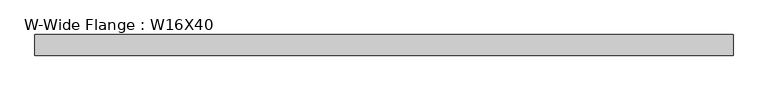
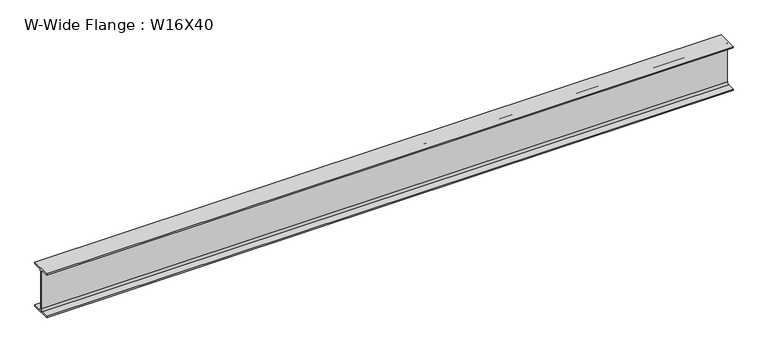
"""IFC4 building model written with IfcOpenShell, lengths in millimetres: beam geometry, W-Wide Flange : W16X40."""

import ifcopenshell
import ifcopenshell.guid

model = None  # the IFC model being written
_history = None  # IfcOwnerHistory: only IFC2X3 demands one
_inside = {}  # id of a spatial element -> (the spatial element, [elements in it])
_under = {}  # id of a project, library or spatial element -> (it, [spatial elements below it])
_declared = {}  # id of a project -> (the project, [libraries it declares])
_typed = {}  # id of a type object -> (the type object, [elements of that type])
_made_of = {}  # id of a material, layer set ... -> (it, [elements and type objects made of it])


def new_model(schema):
    """Start an empty IFC model of exactly this schema.

    Asked for "IFC4X3", IfcOpenShell would pick the latest addendum, in which some entities
    have other attributes; the version numbers below select the first issue.
    IFC2X3 requires an IfcOwnerHistory on every rooted entity: one is made here for all.
    """
    global model, _history
    if schema == "IFC4X3":
        model = ifcopenshell.file(schema_version=(4, 3, 0, 0))
    else:
        model = ifcopenshell.file(schema=schema)
    _inside.clear()
    _under.clear()
    _declared.clear()
    _typed.clear()
    _made_of.clear()
    _history = None
    if model.schema == "IFC2X3":
        org = make("IfcOrganization", Name="unknown")
        user = make(
            "IfcPersonAndOrganization",
            ThePerson=make("IfcPerson", FamilyName="unknown"),
            TheOrganization=org,
        )
        app = make(
            "IfcApplication",
            ApplicationDeveloper=org,
            Version="unknown",
            ApplicationFullName="unknown",
            ApplicationIdentifier="unknown",
        )
        _history = make(
            "IfcOwnerHistory",
            OwningUser=user,
            OwningApplication=app,
            ChangeAction="ADDED",
            CreationDate=0,
        )
    return model


def make(cls, **values):
    """One entity of the class cls with the attributes given. An attribute that is None is left unset."""
    return model.create_entity(
        cls, **{name: value for name, value in values.items() if value is not None}
    )


def rooted(cls, **values):
    """An entity with a GlobalId (a new one), such as an element, a storey or a relation."""
    return make(cls, GlobalId=ifcopenshell.guid.new(), OwnerHistory=_history, **values)


def si_unit(unit_type, name, prefix=None):
    """IfcSIUnit, for example si_unit("LENGTHUNIT", "METRE", prefix="MILLI")."""
    return make("IfcSIUnit", UnitType=unit_type, Prefix=prefix, Name=name)


def assignment(units):
    """IfcUnitAssignment: the units of a project."""
    return None if units is None else make("IfcUnitAssignment", Units=units)


def point(xyz):
    """IfcCartesianPoint."""
    return None if xyz is None else make("IfcCartesianPoint", Coordinates=xyz)


def direction(xyz):
    """IfcDirection."""
    return None if xyz is None else make("IfcDirection", DirectionRatios=xyz)


def frame(location, z_axis=None, x_axis=None):
    """IfcAxis2Placement3D, a coordinate frame: its origin and axes. An axis left out is left unset."""
    return make(
        "IfcAxis2Placement3D",
        Location=point(location),
        Axis=direction(z_axis),
        RefDirection=direction(x_axis),
    )


def frame_2d(location, x_axis=None):
    """IfcAxis2Placement2D, a coordinate frame in the plane: its origin and x axis."""
    return make(
        "IfcAxis2Placement2D", Location=point(location), RefDirection=direction(x_axis)
    )


def origin():
    """The frame at (0, 0, 0) with its axes left unset."""
    return frame((0.0, 0.0, 0.0))


def place(relative_to, where):
    """IfcLocalPlacement: puts the frame where relative to a parent placement (None: the world)."""
    return make(
        "IfcLocalPlacement", PlacementRelTo=relative_to, RelativePlacement=where
    )


def context(
    kind, dimensions, precision=None, world=None, true_north=None, identifier=None
):
    """IfcGeometricRepresentationContext, for example the 3D "Model" context."""
    return make(
        "IfcGeometricRepresentationContext",
        ContextIdentifier=identifier,
        ContextType=kind,
        CoordinateSpaceDimension=dimensions,
        Precision=precision,
        WorldCoordinateSystem=world,
        TrueNorth=true_north,
    )


def project(units=None, contexts=None):
    """IfcProject with its units and contexts."""
    return rooted(
        "IfcProject",
        Name="project",
        RepresentationContexts=contexts,
        UnitsInContext=assignment(units),
    )


def spatial(cls, under=None, at=None, **own):
    """A site, building, storey or space (cls), placed at a placement, below another one or the project."""
    s = rooted(cls, ObjectPlacement=at, **own)
    if under is not None:
        _under.setdefault(under.id(), (under, []))[1].append(s)
    return s


def polyline(points):
    """IfcPolyline through the points."""
    return make("IfcPolyline", Points=[point(p) for p in points])


def circle_curve(where, radius):
    """IfcCircle in the frame where."""
    return make("IfcCircle", Position=where, Radius=radius)


def trimmed(basis, trim1, trim2, sense, master):
    """IfcTrimmedCurve: the piece of a basis curve between two trims."""
    return make(
        "IfcTrimmedCurve",
        BasisCurve=basis,
        Trim1=trim1,
        Trim2=trim2,
        SenseAgreement=sense,
        MasterRepresentation=master,
    )


def segment(curve, same_sense, transition):
    """IfcCompositeCurveSegment."""
    return make(
        "IfcCompositeCurveSegment",
        Transition=transition,
        SameSense=same_sense,
        ParentCurve=curve,
    )


def composite_curve(segments, self_intersect=None):
    """IfcCompositeCurve: segments joined end to end."""
    return make("IfcCompositeCurve", Segments=segments, SelfIntersect=self_intersect)


def outline(outer, holes=None, kind="AREA"):
    """IfcArbitraryClosedProfileDef: a profile drawn as a closed curve; with holes, ...WithVoids."""
    if holes is None:
        return make("IfcArbitraryClosedProfileDef", ProfileType=kind, OuterCurve=outer)
    return make(
        "IfcArbitraryProfileDefWithVoids",
        ProfileType=kind,
        OuterCurve=outer,
        InnerCurves=holes,
    )


def extrude(swept, where, along, depth):
    """IfcExtrudedAreaSolid: the profile swept, set in the frame where, extruded along a direction by depth."""
    return make(
        "IfcExtrudedAreaSolid",
        SweptArea=swept,
        Position=where,
        ExtrudedDirection=direction(along),
        Depth=depth,
    )


def shape(context_of_items, identifier, shape_type, items):
    """IfcShapeRepresentation: the items that make up one representation, for example the "Body"."""
    return make(
        "IfcShapeRepresentation",
        ContextOfItems=context_of_items,
        RepresentationIdentifier=identifier,
        RepresentationType=shape_type,
        Items=items,
    )


def source(mapping_origin, context_of_items, identifier, shape_type, items):
    """IfcRepresentationMap: a shape defined once, which mapped items show again and again."""
    return make(
        "IfcRepresentationMap",
        MappingOrigin=mapping_origin,
        MappedRepresentation=shape(context_of_items, identifier, shape_type, items),
    )


def transform(
    local_origin,
    x_axis=None,
    y_axis=None,
    z_axis=None,
    scale=None,
    scale2=None,
    scale3=None,
    uniform=True,
):
    """IfcCartesianTransformationOperator3D, or its non-uniform kind. x_axis, y_axis, z_axis: its Axis1, 2, 3."""
    if uniform:
        return make(
            "IfcCartesianTransformationOperator3D",
            Axis1=direction(x_axis),
            Axis2=direction(y_axis),
            LocalOrigin=point(local_origin),
            Scale=scale,
            Axis3=direction(z_axis),
        )
    return make(
        "IfcCartesianTransformationOperator3DnonUniform",
        Axis1=direction(x_axis),
        Axis2=direction(y_axis),
        LocalOrigin=point(local_origin),
        Scale=scale,
        Axis3=direction(z_axis),
        Scale2=scale2,
        Scale3=scale3,
    )


def mapped(mapping_source, mapping_target):
    """IfcMappedItem: shows the shape of a source again, moved by a transform."""
    return make(
        "IfcMappedItem", MappingSource=mapping_source, MappingTarget=mapping_target
    )


def made_of(thing, what):
    """Note that an element or type object is made of a material, layer set ...; save() writes the relation."""
    if what is not None:
        _made_of.setdefault(what.id(), (what, []))[1].append(thing)
    return thing


def element(
    cls,
    number,
    at=None,
    inside=None,
    cuts=None,
    type_object=None,
    material=None,
    context=None,
    identifier="Body",
    shape_type=None,
    held_by="IfcProductDefinitionShape",
    body=None,
    shapes=None,
    **own,
):
    """One element of the class cls, such as IfcWall. Its Tag is "e" and its number.

    at: its placement. inside: the storey or other place that contains it. cuts: it is an
    opening in that element (IfcRelVoidsElement). A single representation is given by context,
    identifier, shape_type and body (its items); several are given by shapes. held_by: the class
    of the entity that holds the representations. save() writes the other relations.
    """
    e = rooted(cls, Tag="e%d" % number, ObjectPlacement=at, **own)
    if body is not None:
        shapes = [shape(context, identifier, shape_type, body)]
    if shapes is not None:
        e.Representation = make(held_by, Representations=shapes)
    if inside is not None:
        _inside.setdefault(inside.id(), (inside, []))[1].append(e)
    if cuts is not None:
        rooted(
            "IfcRelVoidsElement", RelatingBuildingElement=cuts, RelatedOpeningElement=e
        )
    if type_object is not None:
        _typed.setdefault(type_object.id(), (type_object, []))[1].append(e)
    return made_of(e, material)


def aggregate(whole, parts):
    """IfcRelAggregates: a whole, such as a stair, and the parts it consists of."""
    return rooted("IfcRelAggregates", RelatingObject=whole, RelatedObjects=parts)


def save(model, path):
    """Write the relations noted so far, then the file.

    IfcRelAggregates (storeys below a building ...), IfcRelContainedInSpatialStructure (elements
    in a storey), IfcRelDefinesByType, IfcRelAssociatesMaterial and IfcRelDeclares: one each for
    every whole, place, type object, material and project.
    """
    for whole, parts in _under.values():
        aggregate(whole, parts)
    for where, things in _inside.values():
        rooted(
            "IfcRelContainedInSpatialStructure",
            RelatedElements=things,
            RelatingStructure=where,
        )
    for kind, things in _typed.values():
        rooted("IfcRelDefinesByType", RelatedObjects=things, RelatingType=kind)
    for what, things in _made_of.values():
        rooted("IfcRelAssociatesMaterial", RelatedObjects=things, RelatingMaterial=what)
    for by, libraries in _declared.values():
        rooted("IfcRelDeclares", RelatingContext=by, RelatedDefinitions=libraries)
    model.write(path)


def w_wide_flange_w16x40_3f53ab06(model_context):
    return source(origin(), model_context, "Body", "SweptSolid", [
        extrude(outline(composite_curve([segment(polyline([(88.9, -190.4), (88.9, -203.2), (-88.9, -203.2), (-88.9, -190.4), (-21.25, -190.4)]), True, "CONTINUOUS"), segment(trimmed(circle_curve(frame_2d((-21.25, -173.0)), 17.4), [point((-21.25, -190.4))], [point((-3.85, -173.0))], True, "CARTESIAN"), True, "CONTINUOUS"), segment(polyline([(-3.85, -173.0), (-3.85, 173.0)]), True, "CONTINUOUS"), segment(trimmed(circle_curve(frame_2d((-21.25, 173.0)), 17.4), [point((-3.85, 173.0))], [point((-21.25, 190.4))], True, "CARTESIAN"), True, "CONTINUOUS"), segment(polyline([(-21.25, 190.4), (-88.9, 190.4), (-88.9, 203.2), (88.9, 203.2), (88.9, 190.4), (21.25, 190.4)]), True, "CONTINUOUS"), segment(trimmed(circle_curve(frame_2d((21.25, 173.0)), 17.4), [point((21.25, 190.4))], [point((3.85, 173.0))], True, "CARTESIAN"), True, "CONTINUOUS"), segment(polyline([(3.85, 173.0), (3.85, -173.0)]), True, "CONTINUOUS"), segment(trimmed(circle_curve(frame_2d((21.25, -173.0)), 17.4), [point((3.85, -173.0))], [point((21.25, -190.4))], True, "CARTESIAN"), True, "CONTINUOUS"), segment(polyline([(21.25, -190.4), (88.9, -190.4)]), True, "CONTINUOUS")], self_intersect=False)), frame((-1563.2333755, 0.0, 0.0), z_axis=(1.0, 0.0, 0.0), x_axis=(0.0, 1.0, 0.0)), (0.0, 0.0, 1.0), 6008.7783795),
    ])


if __name__ == "__main__":
    model = new_model("IFC4")
    model_context = context("Model", 3, world=origin())
    ifc_project = project(units=[si_unit("LENGTHUNIT", "METRE", prefix="MILLI")], contexts=[model_context])
    site = spatial("IfcSite", under=ifc_project)
    building = spatial("IfcBuilding", under=site)
    placement = place(None, origin())
    w_wide_flange_w16x40_shape = w_wide_flange_w16x40_3f53ab06(model_context)
    element("IfcBeam", 1, ObjectType="W-Wide Flange : W16X40", at=placement, inside=building, context=model_context, shape_type="MappedRepresentation", body=[
        mapped(w_wide_flange_w16x40_shape, transform((0.0, 0.0, 0.0), x_axis=(1.0, 0.0, 0.0), y_axis=(0.0, 1.0, 0.0), z_axis=(0.0, 0.0, 1.0))),
    ])
    save(model, "model.ifc")
